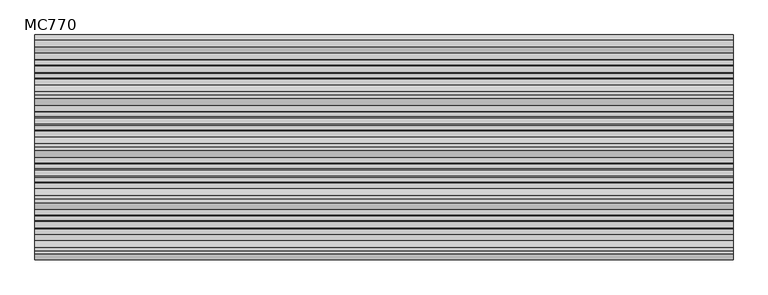
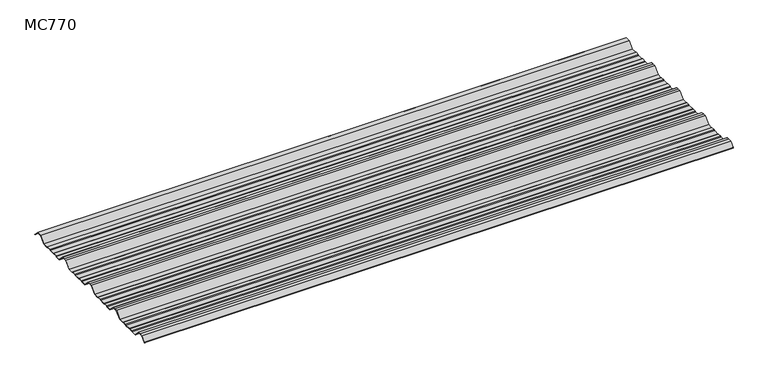
"""IFC4 building model written with IfcOpenShell, lengths in millimetres: beam geometry, MC770."""

import ifcopenshell
import ifcopenshell.guid

model = None  # the IFC model being written
_history = None  # IfcOwnerHistory: only IFC2X3 demands one
_inside = {}  # id of a spatial element -> (the spatial element, [elements in it])
_under = {}  # id of a project, library or spatial element -> (it, [spatial elements below it])
_declared = {}  # id of a project -> (the project, [libraries it declares])
_typed = {}  # id of a type object -> (the type object, [elements of that type])
_made_of = {}  # id of a material, layer set ... -> (it, [elements and type objects made of it])


def new_model(schema):
    """Start an empty IFC model of exactly this schema.

    Asked for "IFC4X3", IfcOpenShell would pick the latest addendum, in which some entities
    have other attributes; the version numbers below select the first issue.
    IFC2X3 requires an IfcOwnerHistory on every rooted entity: one is made here for all.
    """
    global model, _history
    if schema == "IFC4X3":
        model = ifcopenshell.file(schema_version=(4, 3, 0, 0))
    else:
        model = ifcopenshell.file(schema=schema)
    _inside.clear()
    _under.clear()
    _declared.clear()
    _typed.clear()
    _made_of.clear()
    _history = None
    if model.schema == "IFC2X3":
        org = make("IfcOrganization", Name="unknown")
        user = make(
            "IfcPersonAndOrganization",
            ThePerson=make("IfcPerson", FamilyName="unknown"),
            TheOrganization=org,
        )
        app = make(
            "IfcApplication",
            ApplicationDeveloper=org,
            Version="unknown",
            ApplicationFullName="unknown",
            ApplicationIdentifier="unknown",
        )
        _history = make(
            "IfcOwnerHistory",
            OwningUser=user,
            OwningApplication=app,
            ChangeAction="ADDED",
            CreationDate=0,
        )
    return model


def make(cls, **values):
    """One entity of the class cls with the attributes given. An attribute that is None is left unset."""
    return model.create_entity(
        cls, **{name: value for name, value in values.items() if value is not None}
    )


def rooted(cls, **values):
    """An entity with a GlobalId (a new one), such as an element, a storey or a relation."""
    return make(cls, GlobalId=ifcopenshell.guid.new(), OwnerHistory=_history, **values)


def si_unit(unit_type, name, prefix=None):
    """IfcSIUnit, for example si_unit("LENGTHUNIT", "METRE", prefix="MILLI")."""
    return make("IfcSIUnit", UnitType=unit_type, Prefix=prefix, Name=name)


def assignment(units):
    """IfcUnitAssignment: the units of a project."""
    return None if units is None else make("IfcUnitAssignment", Units=units)


def point(xyz):
    """IfcCartesianPoint."""
    return None if xyz is None else make("IfcCartesianPoint", Coordinates=xyz)


def direction(xyz):
    """IfcDirection."""
    return None if xyz is None else make("IfcDirection", DirectionRatios=xyz)


def frame(location, z_axis=None, x_axis=None):
    """IfcAxis2Placement3D, a coordinate frame: its origin and axes. An axis left out is left unset."""
    return make(
        "IfcAxis2Placement3D",
        Location=point(location),
        Axis=direction(z_axis),
        RefDirection=direction(x_axis),
    )


def frame_2d(location, x_axis=None):
    """IfcAxis2Placement2D, a coordinate frame in the plane: its origin and x axis."""
    return make(
        "IfcAxis2Placement2D", Location=point(location), RefDirection=direction(x_axis)
    )


def origin():
    """The frame at (0, 0, 0) with its axes left unset."""
    return frame((0.0, 0.0, 0.0))


def place(relative_to, where):
    """IfcLocalPlacement: puts the frame where relative to a parent placement (None: the world)."""
    return make(
        "IfcLocalPlacement", PlacementRelTo=relative_to, RelativePlacement=where
    )


def context(
    kind, dimensions, precision=None, world=None, true_north=None, identifier=None
):
    """IfcGeometricRepresentationContext, for example the 3D "Model" context."""
    return make(
        "IfcGeometricRepresentationContext",
        ContextIdentifier=identifier,
        ContextType=kind,
        CoordinateSpaceDimension=dimensions,
        Precision=precision,
        WorldCoordinateSystem=world,
        TrueNorth=true_north,
    )


def project(units=None, contexts=None):
    """IfcProject with its units and contexts."""
    return rooted(
        "IfcProject",
        Name="project",
        RepresentationContexts=contexts,
        UnitsInContext=assignment(units),
    )


def spatial(cls, under=None, at=None, **own):
    """A site, building, storey or space (cls), placed at a placement, below another one or the project."""
    s = rooted(cls, ObjectPlacement=at, **own)
    if under is not None:
        _under.setdefault(under.id(), (under, []))[1].append(s)
    return s


def polyline(points):
    """IfcPolyline through the points."""
    return make("IfcPolyline", Points=[point(p) for p in points])


def circle_curve(where, radius):
    """IfcCircle in the frame where."""
    return make("IfcCircle", Position=where, Radius=radius)


def trimmed(basis, trim1, trim2, sense, master):
    """IfcTrimmedCurve: the piece of a basis curve between two trims."""
    return make(
        "IfcTrimmedCurve",
        BasisCurve=basis,
        Trim1=trim1,
        Trim2=trim2,
        SenseAgreement=sense,
        MasterRepresentation=master,
    )


def segment(curve, same_sense, transition):
    """IfcCompositeCurveSegment."""
    return make(
        "IfcCompositeCurveSegment",
        Transition=transition,
        SameSense=same_sense,
        ParentCurve=curve,
    )


def composite_curve(segments, self_intersect=None):
    """IfcCompositeCurve: segments joined end to end."""
    return make("IfcCompositeCurve", Segments=segments, SelfIntersect=self_intersect)


def outline(outer, holes=None, kind="AREA"):
    """IfcArbitraryClosedProfileDef: a profile drawn as a closed curve; with holes, ...WithVoids."""
    if holes is None:
        return make("IfcArbitraryClosedProfileDef", ProfileType=kind, OuterCurve=outer)
    return make(
        "IfcArbitraryProfileDefWithVoids",
        ProfileType=kind,
        OuterCurve=outer,
        InnerCurves=holes,
    )


def extrude(swept, where, along, depth):
    """IfcExtrudedAreaSolid: the profile swept, set in the frame where, extruded along a direction by depth."""
    return make(
        "IfcExtrudedAreaSolid",
        SweptArea=swept,
        Position=where,
        ExtrudedDirection=direction(along),
        Depth=depth,
    )


def shape(context_of_items, identifier, shape_type, items):
    """IfcShapeRepresentation: the items that make up one representation, for example the "Body"."""
    return make(
        "IfcShapeRepresentation",
        ContextOfItems=context_of_items,
        RepresentationIdentifier=identifier,
        RepresentationType=shape_type,
        Items=items,
    )


def source(mapping_origin, context_of_items, identifier, shape_type, items):
    """IfcRepresentationMap: a shape defined once, which mapped items show again and again."""
    return make(
        "IfcRepresentationMap",
        MappingOrigin=mapping_origin,
        MappedRepresentation=shape(context_of_items, identifier, shape_type, items),
    )


def transform(
    local_origin,
    x_axis=None,
    y_axis=None,
    z_axis=None,
    scale=None,
    scale2=None,
    scale3=None,
    uniform=True,
):
    """IfcCartesianTransformationOperator3D, or its non-uniform kind. x_axis, y_axis, z_axis: its Axis1, 2, 3."""
    if uniform:
        return make(
            "IfcCartesianTransformationOperator3D",
            Axis1=direction(x_axis),
            Axis2=direction(y_axis),
            LocalOrigin=point(local_origin),
            Scale=scale,
            Axis3=direction(z_axis),
        )
    return make(
        "IfcCartesianTransformationOperator3DnonUniform",
        Axis1=direction(x_axis),
        Axis2=direction(y_axis),
        LocalOrigin=point(local_origin),
        Scale=scale,
        Axis3=direction(z_axis),
        Scale2=scale2,
        Scale3=scale3,
    )


def mapped(mapping_source, mapping_target):
    """IfcMappedItem: shows the shape of a source again, moved by a transform."""
    return make(
        "IfcMappedItem", MappingSource=mapping_source, MappingTarget=mapping_target
    )


def made_of(thing, what):
    """Note that an element or type object is made of a material, layer set ...; save() writes the relation."""
    if what is not None:
        _made_of.setdefault(what.id(), (what, []))[1].append(thing)
    return thing


def element(
    cls,
    number,
    at=None,
    inside=None,
    cuts=None,
    type_object=None,
    material=None,
    context=None,
    identifier="Body",
    shape_type=None,
    held_by="IfcProductDefinitionShape",
    body=None,
    shapes=None,
    **own,
):
    """One element of the class cls, such as IfcWall. Its Tag is "e" and its number.

    at: its placement. inside: the storey or other place that contains it. cuts: it is an
    opening in that element (IfcRelVoidsElement). A single representation is given by context,
    identifier, shape_type and body (its items); several are given by shapes. held_by: the class
    of the entity that holds the representations. save() writes the other relations.
    """
    e = rooted(cls, Tag="e%d" % number, ObjectPlacement=at, **own)
    if body is not None:
        shapes = [shape(context, identifier, shape_type, body)]
    if shapes is not None:
        e.Representation = make(held_by, Representations=shapes)
    if inside is not None:
        _inside.setdefault(inside.id(), (inside, []))[1].append(e)
    if cuts is not None:
        rooted(
            "IfcRelVoidsElement", RelatingBuildingElement=cuts, RelatedOpeningElement=e
        )
    if type_object is not None:
        _typed.setdefault(type_object.id(), (type_object, []))[1].append(e)
    return made_of(e, material)


def aggregate(whole, parts):
    """IfcRelAggregates: a whole, such as a stair, and the parts it consists of."""
    return rooted("IfcRelAggregates", RelatingObject=whole, RelatedObjects=parts)


def save(model, path):
    """Write the relations noted so far, then the file.

    IfcRelAggregates (storeys below a building ...), IfcRelContainedInSpatialStructure (elements
    in a storey), IfcRelDefinesByType, IfcRelAssociatesMaterial and IfcRelDeclares: one each for
    every whole, place, type object, material and project.
    """
    for whole, parts in _under.values():
        aggregate(whole, parts)
    for where, things in _inside.values():
        rooted(
            "IfcRelContainedInSpatialStructure",
            RelatedElements=things,
            RelatingStructure=where,
        )
    for kind, things in _typed.values():
        rooted("IfcRelDefinesByType", RelatedObjects=things, RelatingType=kind)
    for what, things in _made_of.values():
        rooted("IfcRelAssociatesMaterial", RelatedObjects=things, RelatingMaterial=what)
    for by, libraries in _declared.values():
        rooted("IfcRelDeclares", RelatingContext=by, RelatedDefinitions=libraries)
    model.write(path)


def mc770_ab0d7b91(model_context):
    return source(origin(), model_context, "Body", "SweptSolid", [
        extrude(outline(composite_curve([segment(polyline([(-155.0000967, -25.7896475), (-180.574511, 0.2103525), (-192.5, 0.2103525), (-204.425489, 0.2103525), (-229.9999033, -25.7896475), (-252.6975582, -25.7896475), (-255.9126024, -23.7494212), (-272.3405937, -23.7494212), (-276.7209114, -25.7896475), (-300.7790886, -25.7896475), (-305.1594063, -23.7494212), (-321.5873976, -23.7494212), (-324.8024418, -25.7896475), (-347.5000967, -25.7896475), (-373.074511, 0.2103525), (-385.0, 0.2103525), (-396.925489, 0.2103525), (-422.4999033, -25.7896475), (-445.1975582, -25.7896475), (-448.4126024, -23.7494212), (-464.8405937, -23.7494212), (-469.2209114, -25.7896475), (-493.2790886, -25.7896475), (-497.6594063, -23.7494212), (-514.0873976, -23.7494212), (-517.3024418, -25.7896475), (-540.0000967, -25.7896475), (-565.574511, 0.2103525), (-577.5, 0.2103525), (-589.425489, 0.2103525), (-614.9999033, -25.7896475), (-637.6975582, -25.7896475), (-640.9126024, -23.7494212), (-657.3405937, -23.7494212), (-661.7209114, -25.7896475), (-685.7790886, -25.7896475), (-690.1594063, -23.7494212), (-706.5873976, -23.7494212), (-709.8024418, -25.7896475), (-732.5000967, -25.7896475), (-758.074511, 0.2103525), (-770.0, 0.2103525), (-781.925489, 0.2103525), (-801.261749, -19.4476836)]), True, "CONTINUOUS"), segment(trimmed(circle_curve(frame_2d((-801.651258, -19.0516927)), 0.5554513), [point((-801.261749, -19.4476836))], [point((-802.0472489, -18.6621836))], False, "CARTESIAN"), True, "CONTINUOUS"), segment(polyline([(-802.0472489, -18.6621836), (-782.5, 1.2103525), (-770.0, 1.2103525), (-757.5, 1.2103525), (-731.9255858, -24.7896475), (-710.0929563, -24.7896475), (-706.8779121, -22.7494212), (-689.9379428, -22.7494212), (-685.5576251, -24.7896475), (-661.9423749, -24.7896475), (-657.5620572, -22.7494212), (-640.6220879, -22.7494212), (-637.4070437, -24.7896475), (-615.5744142, -24.7896475), (-590.0, 1.2103525), (-577.5, 1.2103525), (-565.0, 1.2103525), (-539.4255858, -24.7896475), (-517.5929563, -24.7896475), (-514.3779121, -22.7494212), (-497.4379428, -22.7494212), (-493.0576251, -24.7896475), (-469.4423749, -24.7896475), (-465.0620572, -22.7494212), (-448.1220879, -22.7494212), (-444.9070437, -24.7896475), (-423.0744142, -24.7896475), (-397.5, 1.2103525), (-385.0, 1.2103525), (-372.5, 1.2103525), (-346.9255858, -24.7896475), (-325.0929563, -24.7896475), (-321.8779121, -22.7494212), (-304.9379428, -22.7494212), (-300.5576251, -24.7896475), (-276.9423749, -24.7896475), (-272.5620572, -22.7494212), (-255.6220879, -22.7494212), (-252.4070437, -24.7896475), (-230.5744142, -24.7896475), (-205.0, 1.2103525), (-192.5, 1.2103525), (-180.0, 1.2103525), (-154.4255858, -24.7896475), (-132.5929563, -24.7896475), (-129.3779121, -22.7494212), (-112.4379428, -22.7494212), (-108.0576251, -24.7896475), (-84.4423749, -24.7896475), (-80.0620572, -22.7494212), (-63.1220879, -22.7494212), (-59.9070437, -24.7896475), (-35.113585, -24.7896475), (-11.5064334, -0.7896475), (11.5064334, -0.7896475), (31.651812, -21.2702668)]), True, "CONTINUOUS"), segment(trimmed(circle_curve(frame_2d((31.295329, -21.6209146)), 0.500034), [point((31.651812, -21.2702668))], [point((30.9446811, -21.9773977))], False, "CARTESIAN"), True, "CONTINUOUS"), segment(polyline([(30.9446811, -21.9773977), (11.0873778, -1.7896475), (-11.0873778, -1.7896475), (-34.6945294, -25.7896475), (-60.1975582, -25.7896475), (-63.4126024, -23.7494212), (-79.8405937, -23.7494212), (-84.2209114, -25.7896475), (-108.2790886, -25.7896475), (-112.6594063, -23.7494212), (-129.0873976, -23.7494212), (-132.3024418, -25.7896475), (-155.0000967, -25.7896475)]), True, "CONTINUOUS")], self_intersect=False)), frame((-1295.1012987, 0.0, 0.0), z_axis=(1.0, 0.0, 0.0), x_axis=(0.0, 1.0, 0.0)), (0.0, 0.0, 1.0), 2590.2025973),
    ])


if __name__ == "__main__":
    model = new_model("IFC4")
    model_context = context("Model", 3, world=origin())
    ifc_project = project(units=[si_unit("LENGTHUNIT", "METRE", prefix="MILLI")], contexts=[model_context])
    site = spatial("IfcSite", under=ifc_project)
    building = spatial("IfcBuilding", under=site)
    placement = place(None, origin())
    mc770_shape = mc770_ab0d7b91(model_context)
    element("IfcBeam", 1, ObjectType="MC770", at=placement, inside=building, context=model_context, shape_type="MappedRepresentation", body=[
        mapped(mc770_shape, transform((0.0, 0.0, 0.0), x_axis=(1.0, 0.0, 0.0), y_axis=(0.0, 1.0, 0.0), z_axis=(0.0, 0.0, 1.0))),
    ])
    save(model, "model.ifc")
